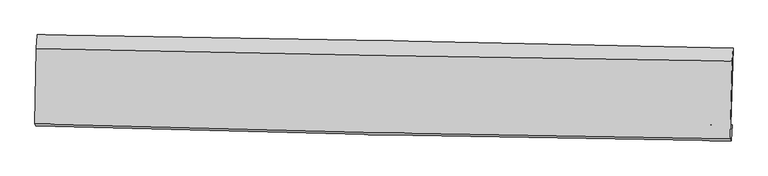
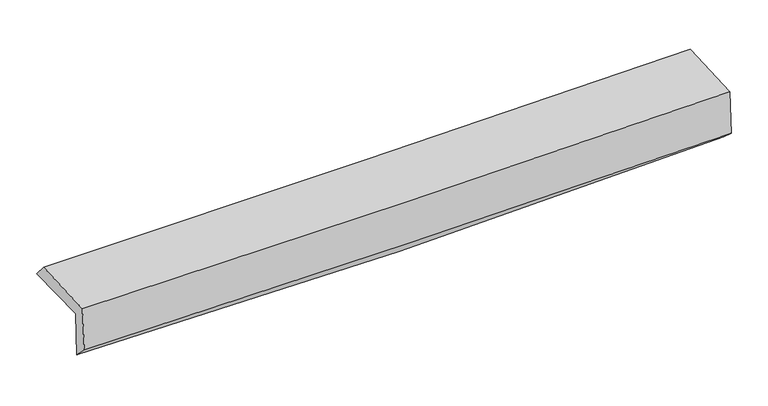
"""IFC4 building model written with IfcOpenShell, lengths in millimetres: proxy geometry."""

import ifcopenshell
import ifcopenshell.guid

model = None  # the IFC model being written
_history = None  # IfcOwnerHistory: only IFC2X3 demands one
_inside = {}  # id of a spatial element -> (the spatial element, [elements in it])
_under = {}  # id of a project, library or spatial element -> (it, [spatial elements below it])
_declared = {}  # id of a project -> (the project, [libraries it declares])
_typed = {}  # id of a type object -> (the type object, [elements of that type])
_made_of = {}  # id of a material, layer set ... -> (it, [elements and type objects made of it])


def new_model(schema):
    """Start an empty IFC model of exactly this schema.

    Asked for "IFC4X3", IfcOpenShell would pick the latest addendum, in which some entities
    have other attributes; the version numbers below select the first issue.
    IFC2X3 requires an IfcOwnerHistory on every rooted entity: one is made here for all.
    """
    global model, _history
    if schema == "IFC4X3":
        model = ifcopenshell.file(schema_version=(4, 3, 0, 0))
    else:
        model = ifcopenshell.file(schema=schema)
    _inside.clear()
    _under.clear()
    _declared.clear()
    _typed.clear()
    _made_of.clear()
    _history = None
    if model.schema == "IFC2X3":
        org = make("IfcOrganization", Name="unknown")
        user = make(
            "IfcPersonAndOrganization",
            ThePerson=make("IfcPerson", FamilyName="unknown"),
            TheOrganization=org,
        )
        app = make(
            "IfcApplication",
            ApplicationDeveloper=org,
            Version="unknown",
            ApplicationFullName="unknown",
            ApplicationIdentifier="unknown",
        )
        _history = make(
            "IfcOwnerHistory",
            OwningUser=user,
            OwningApplication=app,
            ChangeAction="ADDED",
            CreationDate=0,
        )
    return model


def make(cls, **values):
    """One entity of the class cls with the attributes given. An attribute that is None is left unset."""
    return model.create_entity(
        cls, **{name: value for name, value in values.items() if value is not None}
    )


def rooted(cls, **values):
    """An entity with a GlobalId (a new one), such as an element, a storey or a relation."""
    return make(cls, GlobalId=ifcopenshell.guid.new(), OwnerHistory=_history, **values)


def si_unit(unit_type, name, prefix=None):
    """IfcSIUnit, for example si_unit("LENGTHUNIT", "METRE", prefix="MILLI")."""
    return make("IfcSIUnit", UnitType=unit_type, Prefix=prefix, Name=name)


def assignment(units):
    """IfcUnitAssignment: the units of a project."""
    return None if units is None else make("IfcUnitAssignment", Units=units)


def point(xyz):
    """IfcCartesianPoint."""
    return None if xyz is None else make("IfcCartesianPoint", Coordinates=xyz)


def direction(xyz):
    """IfcDirection."""
    return None if xyz is None else make("IfcDirection", DirectionRatios=xyz)


def frame(location, z_axis=None, x_axis=None):
    """IfcAxis2Placement3D, a coordinate frame: its origin and axes. An axis left out is left unset."""
    return make(
        "IfcAxis2Placement3D",
        Location=point(location),
        Axis=direction(z_axis),
        RefDirection=direction(x_axis),
    )


def origin():
    """The frame at (0, 0, 0) with its axes left unset."""
    return frame((0.0, 0.0, 0.0))


def place(relative_to, where):
    """IfcLocalPlacement: puts the frame where relative to a parent placement (None: the world)."""
    return make(
        "IfcLocalPlacement", PlacementRelTo=relative_to, RelativePlacement=where
    )


def context(
    kind, dimensions, precision=None, world=None, true_north=None, identifier=None
):
    """IfcGeometricRepresentationContext, for example the 3D "Model" context."""
    return make(
        "IfcGeometricRepresentationContext",
        ContextIdentifier=identifier,
        ContextType=kind,
        CoordinateSpaceDimension=dimensions,
        Precision=precision,
        WorldCoordinateSystem=world,
        TrueNorth=true_north,
    )


def project(units=None, contexts=None):
    """IfcProject with its units and contexts."""
    return rooted(
        "IfcProject",
        Name="project",
        RepresentationContexts=contexts,
        UnitsInContext=assignment(units),
    )


def spatial(cls, under=None, at=None, **own):
    """A site, building, storey or space (cls), placed at a placement, below another one or the project."""
    s = rooted(cls, ObjectPlacement=at, **own)
    if under is not None:
        _under.setdefault(under.id(), (under, []))[1].append(s)
    return s


def shape(context_of_items, identifier, shape_type, items):
    """IfcShapeRepresentation: the items that make up one representation, for example the "Body"."""
    return make(
        "IfcShapeRepresentation",
        ContextOfItems=context_of_items,
        RepresentationIdentifier=identifier,
        RepresentationType=shape_type,
        Items=items,
    )


def source(mapping_origin, context_of_items, identifier, shape_type, items):
    """IfcRepresentationMap: a shape defined once, which mapped items show again and again."""
    return make(
        "IfcRepresentationMap",
        MappingOrigin=mapping_origin,
        MappedRepresentation=shape(context_of_items, identifier, shape_type, items),
    )


def transform(
    local_origin,
    x_axis=None,
    y_axis=None,
    z_axis=None,
    scale=None,
    scale2=None,
    scale3=None,
    uniform=True,
):
    """IfcCartesianTransformationOperator3D, or its non-uniform kind. x_axis, y_axis, z_axis: its Axis1, 2, 3."""
    if uniform:
        return make(
            "IfcCartesianTransformationOperator3D",
            Axis1=direction(x_axis),
            Axis2=direction(y_axis),
            LocalOrigin=point(local_origin),
            Scale=scale,
            Axis3=direction(z_axis),
        )
    return make(
        "IfcCartesianTransformationOperator3DnonUniform",
        Axis1=direction(x_axis),
        Axis2=direction(y_axis),
        LocalOrigin=point(local_origin),
        Scale=scale,
        Axis3=direction(z_axis),
        Scale2=scale2,
        Scale3=scale3,
    )


def mapped(mapping_source, mapping_target):
    """IfcMappedItem: shows the shape of a source again, moved by a transform."""
    return make(
        "IfcMappedItem", MappingSource=mapping_source, MappingTarget=mapping_target
    )


def made_of(thing, what):
    """Note that an element or type object is made of a material, layer set ...; save() writes the relation."""
    if what is not None:
        _made_of.setdefault(what.id(), (what, []))[1].append(thing)
    return thing


def element(
    cls,
    number,
    at=None,
    inside=None,
    cuts=None,
    type_object=None,
    material=None,
    context=None,
    identifier="Body",
    shape_type=None,
    held_by="IfcProductDefinitionShape",
    body=None,
    shapes=None,
    **own,
):
    """One element of the class cls, such as IfcWall. Its Tag is "e" and its number.

    at: its placement. inside: the storey or other place that contains it. cuts: it is an
    opening in that element (IfcRelVoidsElement). A single representation is given by context,
    identifier, shape_type and body (its items); several are given by shapes. held_by: the class
    of the entity that holds the representations. save() writes the other relations.
    """
    e = rooted(cls, Tag="e%d" % number, ObjectPlacement=at, **own)
    if body is not None:
        shapes = [shape(context, identifier, shape_type, body)]
    if shapes is not None:
        e.Representation = make(held_by, Representations=shapes)
    if inside is not None:
        _inside.setdefault(inside.id(), (inside, []))[1].append(e)
    if cuts is not None:
        rooted(
            "IfcRelVoidsElement", RelatingBuildingElement=cuts, RelatedOpeningElement=e
        )
    if type_object is not None:
        _typed.setdefault(type_object.id(), (type_object, []))[1].append(e)
    return made_of(e, material)


def aggregate(whole, parts):
    """IfcRelAggregates: a whole, such as a stair, and the parts it consists of."""
    return rooted("IfcRelAggregates", RelatingObject=whole, RelatedObjects=parts)


def save(model, path):
    """Write the relations noted so far, then the file.

    IfcRelAggregates (storeys below a building ...), IfcRelContainedInSpatialStructure (elements
    in a storey), IfcRelDefinesByType, IfcRelAssociatesMaterial and IfcRelDeclares: one each for
    every whole, place, type object, material and project.
    """
    for whole, parts in _under.values():
        aggregate(whole, parts)
    for where, things in _inside.values():
        rooted(
            "IfcRelContainedInSpatialStructure",
            RelatedElements=things,
            RelatingStructure=where,
        )
    for kind, things in _typed.values():
        rooted("IfcRelDefinesByType", RelatedObjects=things, RelatingType=kind)
    for what, things in _made_of.values():
        rooted("IfcRelAssociatesMaterial", RelatedObjects=things, RelatingMaterial=what)
    for by, libraries in _declared.values():
        rooted("IfcRelDeclares", RelatingContext=by, RelatedDefinitions=libraries)
    model.write(path)


def plane_surface(at):
    """IfcPlane: the flat surface through the origin of the frame at, square to its z axis."""
    return make("IfcPlane", Position=at)


def spline_curve(degree, points, multiplicities, knots, weights=None):
    """IfcBSplineCurveWithKnots; with weights, IfcRationalBSplineCurveWithKnots."""
    own = dict(
        Degree=degree,
        ControlPointsList=[point(p) for p in points],
        CurveForm="UNSPECIFIED",
        ClosedCurve=False,
        SelfIntersect=False,
        KnotMultiplicities=multiplicities,
        Knots=knots,
        KnotSpec="UNSPECIFIED",
    )
    if weights is None:
        return make("IfcBSplineCurveWithKnots", **own)
    return make("IfcRationalBSplineCurveWithKnots", WeightsData=weights, **own)


def spline_surface(u_degree, v_degree, points, u_multiplicities, v_multiplicities, u_knots, v_knots, weights=None):
    """IfcBSplineSurfaceWithKnots; with weights, IfcRationalBSplineSurfaceWithKnots. points: one row for each step in u."""
    own = dict(
        UDegree=u_degree,
        VDegree=v_degree,
        ControlPointsList=[[point(p) for p in row] for row in points],
        SurfaceForm="UNSPECIFIED",
        UClosed=False,
        VClosed=False,
        SelfIntersect=False,
        UMultiplicities=u_multiplicities,
        VMultiplicities=v_multiplicities,
        UKnots=u_knots,
        VKnots=v_knots,
        KnotSpec="UNSPECIFIED",
    )
    if weights is None:
        return make("IfcBSplineSurfaceWithKnots", **own)
    return make("IfcRationalBSplineSurfaceWithKnots", WeightsData=weights, **own)


def advanced_brep(points, edges, surfaces, faces):
    """IfcAdvancedBrep: a solid bounded by faces that lie on surfaces and meet in shared edges.

    An edge is (start, end): straight between two places in points (the first is 0);
    or (start, end, curve); or (start, end, curve, False) where it runs against its curve.
    A face is (place in surfaces, loops), or (place, loops, False) where it looks against
    its surface's normal. A loop lists edges by number (the first is 1), with a minus sign
    where the edge is run from its end to its start. The first loop is the outer one.
    """
    corners = [point(p) for p in points]
    vertices = [make("IfcVertexPoint", VertexGeometry=c) for c in corners]
    made = []
    for start, end, *more in edges:
        made.append(
            make(
                "IfcEdgeCurve",
                EdgeStart=vertices[start],
                EdgeEnd=vertices[end],
                EdgeGeometry=more[0] if more else make("IfcPolyline", Points=[corners[start], corners[end]]),
                SameSense=more[1] if len(more) > 1 else True,
            )
        )
    hull = []
    for where, loops, *sense in faces:
        bounds = []
        for j, loop in enumerate(loops):
            ring = [make("IfcOrientedEdge", EdgeElement=made[abs(k) - 1], Orientation=k > 0) for k in loop]
            bounds.append(
                make(
                    "IfcFaceOuterBound" if j == 0 else "IfcFaceBound",
                    Bound=make("IfcEdgeLoop", EdgeList=ring),
                    Orientation=True,
                )
            )
        hull.append(make("IfcAdvancedFace", Bounds=bounds, FaceSurface=surfaces[where], SameSense=sense[0] if sense else True))
    return make("IfcAdvancedBrep", Outer=make("IfcClosedShell", CfsFaces=hull))


def generic_models_d1947eb5(model_context):
    return source(origin(), model_context, "Body", "AdvancedBrep", [
        advanced_brep(
        [(-2977.0879825, -1744.7587931, 1978.5968263), (-2963.8348209, -1097.7393316, 1975.8138332), (2969.0038104, -1211.2304598, 2114.3800794), (2950.550578, -1866.4035631, 2117.0816967), (-2967.7995052, -1746.6758604, 1577.1304555), (2959.9715152, -1868.3479691, 1709.8901422), (-2973.4378254, -1875.1305062, 1707.1126448), (2953.3732427, -2002.9597877, 1831.0650227), (-2982.3384669, -1860.9915323, 2102.6087746), (2944.4734764, -1988.6735374, 2230.7473898), (-2969.3457046, -1213.9883237, 2111.0193443), (2962.9663772, -1322.1205924, 2240.0678096)],
        [
            (0, 1),
            (1, 2, spline_curve(3, [(-2963.8348209, -1097.7393316, 1975.8138332), (-1974.06447314, -1113.190669131, 1967.740657942), (-984.649864932, -1130.376790994, 1975.258189275), (992.962648778, -1168.208938983, 2021.462861764), (1981.160917706, -1188.853193109, 2060.134079039), (2969.0038104, -1211.2304598, 2114.3800794)], [4, 2, 4], [0.0, 9.73654365847283, 19.468113775432407])),
            (2, 3),
            (3, 0, spline_curve(3, [(2950.550578, -1866.4035631, 2117.0816967), (1963.518333531, -1850.142202858, 2062.883656111), (976.158609594, -1831.877560588, 2024.243202784), (-999.720575532, -1791.331351826, 1978.065673389), (-1988.240372175, -1769.047737835, 1970.544503148), (-2977.0879825, -1744.7587931, 1978.5968263)], [4, 2, 4], [0.0, 9.731570116959578, 19.468113775432407])),
            (4, 0),
            (3, 5),
            (5, 4, spline_curve(3, [(2959.9715152, -1868.3479691, 1709.8901422), (1973.408276732, -1840.346320771, 1647.621658366), (986.272083613, -1816.207757379, 1605.421807705), (-989.651004167, -1775.646438374, 1561.148060229), (-1978.438484326, -1759.227632188, 1559.094682349), (-2967.7995052, -1746.6758604, 1577.1304555)], [4, 2, 4], [0.0, 9.72790902944752, 19.460789729325775])),
            (6, 4),
            (5, 7),
            (7, 6, spline_curve(3, [(2953.3732427, -2002.9597877, 1831.0650227), (1965.856674462, -1990.562671647, 1802.332799227), (978.32364992, -1973.715531979, 1777.638929285), (-997.280022872, -1931.110321218, 1736.317341241), (-1985.350687481, -1905.347700355, 1719.693751739), (-2973.4378254, -1875.1305062, 1707.1126448)], [4, 2, 4], [0.0, 9.726051501859137, 19.457073724817043])),
            (8, 6),
            (7, 9),
            (9, 8, spline_curve(3, [(2944.4734764, -1988.6735374, 2230.7473898), (1956.843108246, -1976.123106277, 2206.289655621), (969.253096315, -1959.211556234, 2183.384901922), (-1006.350926157, -1916.655346482, 2140.670442366), (-1994.36489502, -1891.006228335, 2120.862324416), (-2982.3384669, -1860.9915323, 2102.6087746)], [4, 2, 4], [0.0, 9.72459130823953, 19.45415259131248])),
            (10, 8),
            (9, 11),
            (11, 10, spline_curve(3, [(2962.9663772, -1322.1205924, 2240.0678096), (1974.357046265, -1309.744075947, 2215.317100576), (985.819316747, -1294.547817888, 2192.1900395), (-991.618116973, -1258.506611423, 2149.172224689), (-1980.51774833, -1237.658779686, 2129.283130227), (-2969.3457046, -1213.9883237, 2111.0193443)], [4, 2, 4], [0.0, 9.728785869272919, 19.462543857105622])),
            (1, 10),
            (11, 2),
        ],
        [
            spline_surface(3, 3, [[(-2977.0879825, -1744.7587931, 1978.5968263), (-1988.240372154, -1769.04773782, 1970.54450315), (-999.720575632, -1791.331351962, 1978.065673251), (976.158609694, -1831.877560451, 2024.243202922), (1963.518333385, -1850.142202991, 2062.883656249), (2950.550578, -1866.4035631, 2117.0816967)], [(-2972.670261972, -1529.085639239, 1977.669161926), (-1983.515072463, -1550.428714894, 1969.609888039), (-994.697005422, -1571.013165009, 1977.129845255), (981.759956049, -1610.654686642, 2023.316422546), (1969.399194872, -1629.712533014, 2061.967130517), (2956.701655483, -1648.012528657, 2116.181157604)], [(-2968.252541428, -1313.412485461, 1976.741497574), (-1978.789772757, -1331.809692051, 1968.67527295), (-989.673435166, -1350.694977981, 1976.194017251), (987.361302448, -1389.431812758, 2022.389642161), (1975.280056311, -1409.282863068, 2061.050604773), (2962.852732917, -1429.621494243, 2115.280618496)], [(-2963.8348209, -1097.7393316, 1975.8138332), (-1974.064473065, -1113.190669125, 1967.740657839), (-984.649864956, -1130.376791028, 1975.258189254), (992.962648803, -1168.208938949, 2021.462861784), (1981.160917798, -1188.853193092, 2060.134079042), (2969.0038104, -1211.2304598, 2114.3800794)]], [4, 4], [4, 2, 4], [0.0, 2.173584326408353], [0.0, 9.73654365847283, 19.468113775432407]),
            spline_surface(3, 3, [[(-2967.7995052, -1746.6758604, 1577.1304555), (-1978.438484297, -1759.227632091, 1559.094682397), (-989.65100412, -1775.646438277, 1561.148060364), (986.272083567, -1816.207757476, 1605.421807571), (1973.408276831, -1840.346320882, 1647.621658509), (2959.9715152, -1868.3479691, 1709.8901422)], [(-2970.895664285, -1746.036837974, 1710.952579086), (-1981.705780234, -1762.501000675, 1696.244622634), (-993.007527949, -1780.874742818, 1700.120597995), (982.900925618, -1821.431025114, 1745.028939357), (1970.111628994, -1843.61161493, 1786.04232443), (2956.831202778, -1867.699833779, 1845.620660375)], [(-2973.991823415, -1745.397815526, 1844.774702714), (-1984.973076217, -1765.774369236, 1833.394562912), (-996.364051803, -1786.103047421, 1839.093135619), (979.529767643, -1826.654292814, 1884.636071136), (1966.814981222, -1846.876908942, 1924.462990327), (2953.690890422, -1867.051698421, 1981.351178525)], [(-2977.0879825, -1744.7587931, 1978.5968263), (-1988.240372154, -1769.04773782, 1970.54450315), (-999.720575632, -1791.331351962, 1978.065673251), (976.158609694, -1831.877560451, 2024.243202922), (1963.518333385, -1850.142202991, 2062.883656249), (2950.550578, -1866.4035631, 2117.0816967)]], [4, 4], [4, 2, 4], [0.0, 1.3723253009107919], [0.0, 9.732880699878255, 19.460789729325775]),
            spline_surface(3, 3, [[(-2973.4378254, -1875.1305062, 1707.1126448), (-1985.35068734, -1905.347700327, 1719.693751623), (-997.280022743, -1931.110321217, 1736.317341193), (978.323649791, -1973.715531981, 1777.638929333), (1965.856674575, -1990.562671594, 1802.332799065), (2953.3732427, -2002.9597877, 1831.0650227)], [(-2971.558385339, -1832.312290932, 1663.785248356), (-1983.046619664, -1856.641010914, 1666.160728537), (-994.737016531, -1879.289026921, 1677.927580891), (980.973127721, -1921.212940496, 1720.233222054), (1968.373875342, -1940.490554677, 1750.762418868), (2955.572666881, -1958.089181487, 1790.673395855)], [(-2969.678945261, -1789.494075668, 1620.457851944), (-1980.742551972, -1807.934321505, 1612.627705483), (-992.194010332, -1827.467732573, 1619.537820666), (983.622605637, -1868.710348961, 1662.82751485), (1970.891076064, -1890.418437798, 1699.192038705), (2957.772091019, -1913.218575313, 1750.281769045)], [(-2967.7995052, -1746.6758604, 1577.1304555), (-1978.438484297, -1759.227632091, 1559.094682397), (-989.65100412, -1775.646438277, 1561.148060364), (986.272083567, -1816.207757476, 1605.421807571), (1973.408276831, -1840.346320882, 1647.621658509), (2959.9715152, -1868.3479691, 1709.8901422)]], [4, 4], [4, 2, 4], [0.0, 0.7674494141341754], [0.0, 9.731022222957906, 19.457073724817043]),
            spline_surface(3, 3, [[(-2982.3384669, -1860.9915323, 2102.6087746), (-1994.364895061, -1891.006228266, 2120.862324524), (-1006.350926104, -1916.655346607, 2140.670442392), (969.253096262, -1959.211556109, 2183.384901896), (1956.843108393, -1976.123106187, 2206.289655775), (2944.4734764, -1988.6735374, 2230.7473898)], [(-2979.371586392, -1865.704523592, 1970.776731358), (-1991.360159146, -1895.786718944, 1987.139466915), (-1003.327291646, -1921.473671461, 2005.886075333), (972.27661411, -1964.046214717, 2048.136244383), (1959.847630448, -1980.936294673, 2071.637370236), (2947.440065161, -1993.43562085, 2097.519934131)], [(-2976.404705908, -1870.417514908, 1838.944688042), (-1988.355423254, -1900.567209648, 1853.416609232), (-1000.303657201, -1926.291996363, 1871.101708252), (975.300131944, -1968.880873373, 1912.887586847), (1962.85215252, -1985.749483108, 1936.985084604), (2950.406653939, -1998.19770425, 1964.292478369)], [(-2973.4378254, -1875.1305062, 1707.1126448), (-1985.35068734, -1905.347700327, 1719.693751623), (-997.280022743, -1931.110321217, 1736.317341193), (978.323649791, -1973.715531981, 1777.638929333), (1965.856674575, -1990.562671594, 1802.332799065), (2953.3732427, -2002.9597877, 1831.0650227)]], [4, 4], [4, 2, 4], [0.0, 1.3300832928581552], [0.0, 9.729561283072949, 19.45415259131248]),
            spline_surface(3, 3, [[(-2969.3457046, -1213.9883237, 2111.0193443), (-1980.517748178, -1237.658779792, 2129.283130287), (-991.618117029, -1258.506611325, 2149.172224533), (985.819316804, -1294.547817987, 2192.190039656), (1974.357046201, -1309.744075983, 2215.317100522), (2962.9663772, -1322.1205924, 2240.0678096)], [(-2973.676625362, -1429.656059925, 2108.215821044), (-1985.133463801, -1455.441262642, 2126.47619501), (-996.529053403, -1477.88952309, 2146.338297152), (980.297243274, -1516.102397365, 2189.254993736), (1968.519066915, -1531.870419365, 2212.307952249), (2956.802076917, -1544.30490738, 2236.961002976)], [(-2978.007546138, -1645.323796075, 2105.412297856), (-1989.749179438, -1673.223745416, 2123.669259801), (-1001.43998973, -1697.272434842, 2143.504369773), (974.775169792, -1737.65697673, 2186.319947817), (1962.681087679, -1753.996762806, 2209.298804048), (2950.637776683, -1766.48922242, 2233.854196424)], [(-2982.3384669, -1860.9915323, 2102.6087746), (-1994.364895061, -1891.006228266, 2120.862324524), (-1006.350926104, -1916.655346607, 2140.670442392), (969.253096262, -1959.211556109, 2183.384901896), (1956.843108393, -1976.123106187, 2206.289655775), (2944.4734764, -1988.6735374, 2230.7473898)]], [4, 4], [4, 2, 4], [0.0, 2.1707554665216575], [0.0, 9.733757987832703, 19.462543857105622]),
            spline_surface(3, 3, [[(-2963.8348209, -1097.7393316, 1975.8138332), (-1974.064473065, -1113.190669125, 1967.740657839), (-984.649864956, -1130.376791028, 1975.258189254), (992.962648803, -1168.208938949, 2021.462861784), (1981.160917798, -1188.853193092, 2060.134079042), (2969.0038104, -1211.2304598, 2114.3800794)], [(-2965.67178215, -1136.488995638, 2020.882336929), (-1976.215564786, -1154.680039352, 2021.588148684), (-986.972615633, -1173.086731117, 2033.229534361), (990.58153815, -1210.321898619, 2078.371921088), (1978.892960612, -1229.150154069, 2111.861752861), (2966.99133268, -1248.193837347, 2156.275989459)], [(-2967.50874335, -1175.238659662, 2065.950840571), (-1978.366656458, -1196.169409565, 2075.435639442), (-989.295366352, -1215.796671236, 2091.200879427), (988.200427456, -1252.434858317, 2135.280980352), (1976.625003387, -1269.447115006, 2163.589426703), (2964.97885492, -1285.157214853, 2198.171899541)], [(-2969.3457046, -1213.9883237, 2111.0193443), (-1980.517748178, -1237.658779792, 2129.283130287), (-991.618117029, -1258.506611325, 2149.172224533), (985.819316804, -1294.547817987, 2192.190039656), (1974.357046201, -1309.744075983, 2215.317100522), (2962.9663772, -1322.1205924, 2240.0678096)]], [4, 4], [4, 2, 4], [0.0, 0.7031502814634785], [0.0, 9.739006414585754, 19.473038029653342]),
            plane_surface(frame((2956.7231667, -1709.9559849, 2040.5386901), z_axis=(0.9993359582499685, -0.028050835164316702, 0.02325496065792143), x_axis=(0.022247378964091048, -0.03571235641519154, -0.9991144487637552))),
            plane_surface(frame((-2972.3073843, -1589.8807246, 1908.7136465), z_axis=(-0.99952269633453, 0.02037374173273888, -0.023222621728800123), x_axis=(-0.020478919746875674, -0.9997810366208855, 0.004300309206169295))),
        ],
        [
            (0, [[1, 2, 3, 4]]),
            (1, [[5, -4, 6, 7]]),
            (2, [[8, -7, 9, 10]]),
            (3, [[11, -10, 12, 13]]),
            (4, [[14, -13, 15, 16]]),
            (5, [[17, -16, 18, -2]]),
            (6, [[-12, -9, -6, -3, -18, -15]]),
            (7, [[-1, -5, -8, -11, -14, -17]]),
        ],
    ),
    ])


if __name__ == "__main__":
    model = new_model("IFC4")
    model_context = context("Model", 3, world=origin())
    ifc_project = project(units=[si_unit("LENGTHUNIT", "METRE", prefix="MILLI")], contexts=[model_context])
    site = spatial("IfcSite", under=ifc_project)
    building = spatial("IfcBuilding", under=site)
    placement = place(None, origin())
    generic_models_shape = generic_models_d1947eb5(model_context)
    element("IfcBuildingElementProxy", 1, Name="Generic Models", at=placement, inside=building, context=model_context, shape_type="MappedRepresentation", body=[
        mapped(generic_models_shape, transform((0.0, 0.0, 0.0), x_axis=(1.0, 0.0, 0.0), y_axis=(0.0, 1.0, 0.0), z_axis=(0.0, 0.0, 1.0))),
    ])
    save(model, "model.ifc")
